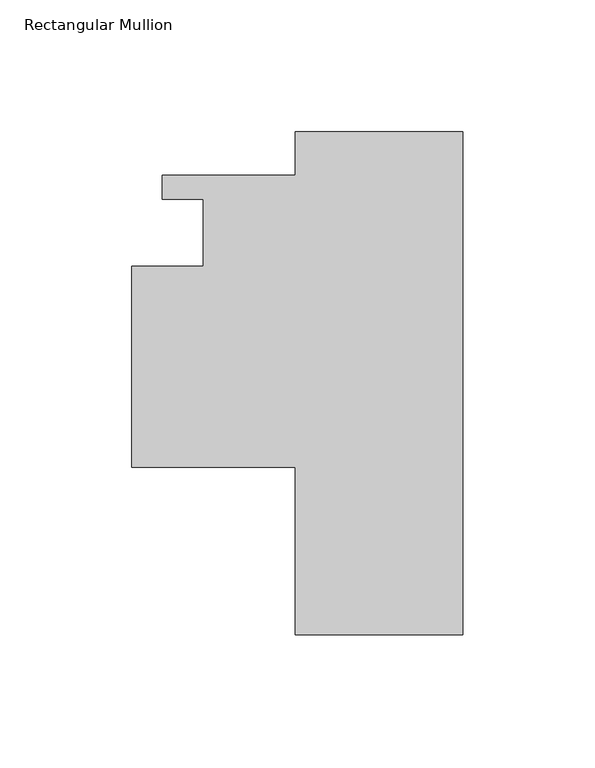
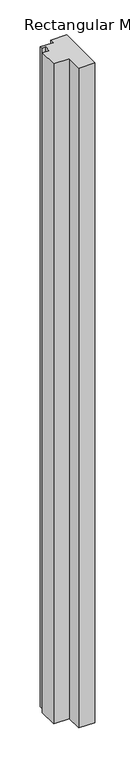
"""IFC4 building model written with IfcOpenShell, lengths in millimetres: member geometry, Rectangular Mullion."""

from ifc_helpers import new_model, si_unit, frame, origin, place, context, project, spatial, polyline, outline, extrude, source, transform, mapped, element, save


def rectangular_mullion_5532f5cd(model_context):
    return source(origin(), model_context, "Body", "SweptSolid", [
        extrude(outline(polyline([(-63.5, -190.499995), (-63.5, -126.999995), (-125.4087916, -126.999995), (-125.4087916, -50.799995), (-98.4212917, -50.799995), (-98.4212917, -25.4007941), (-113.9224413, -25.4007941), (-113.9224413, -16.434594), (-63.5, -16.434594), (-63.5, 0.0), (0.0, 0.0), (0.0, -190.499995), (-63.5, -190.499995)])), frame((0.0, 0.0, -2743.2), z_axis=(0.0, 0.0, 1.0), x_axis=(1.0, 0.0, 0.0)), (0.0, 0.0, 1.0), 2743.2),
    ])


if __name__ == "__main__":
    model = new_model("IFC4")
    model_context = context("Model", 3, world=origin())
    ifc_project = project(units=[si_unit("LENGTHUNIT", "METRE", prefix="MILLI")], contexts=[model_context])
    site = spatial("IfcSite", under=ifc_project)
    building = spatial("IfcBuilding", under=site)
    placement = place(None, origin())
    rectangular_mullion_shape = rectangular_mullion_5532f5cd(model_context)
    element("IfcMember", 1, ObjectType="Rectangular Mullion", at=placement, inside=building, context=model_context, shape_type="MappedRepresentation", body=[
        mapped(rectangular_mullion_shape, transform((0.0, 0.0, 0.0), x_axis=(1.0, 0.0, 0.0), y_axis=(0.0, 1.0, 0.0), z_axis=(0.0, 0.0, 1.0))),
    ])
    save(model, "model.ifc")
